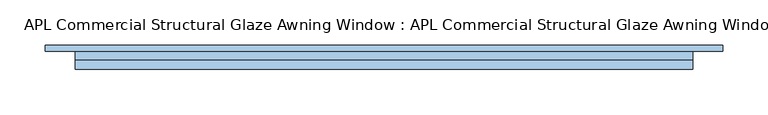
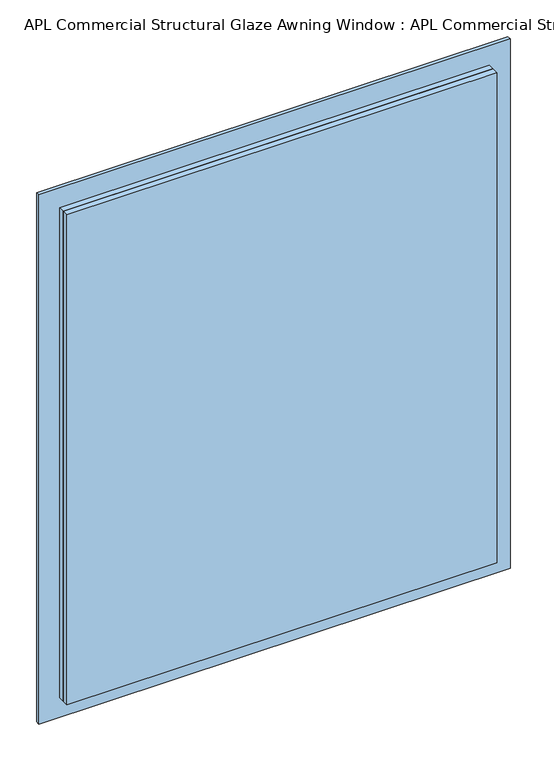
"""IFC4 building model written with IfcOpenShell, lengths in millimetres: window geometry, APL Commercial Structural Glaze Awning Window : APL Commercial Structural Glaze Awning Window."""

from ifc_helpers import new_model, si_unit, frame, origin, place, context, project, spatial, polyline, outline, extrude, source, transform, mapped, element, save


def apl_commercial_structural_glaze_awning_window_apl_commercial_8edd41af(model_context):
    return source(origin(), model_context, "Body", "SweptSolid", [
        extrude(outline(polyline([(861.4199904, -339.6250996), (42.3999314, -339.6250996), (42.3999314, 339.6250526), (861.4199904, 339.6250526), (861.4199904, -339.6250996)]), holes=[polyline([(853.4199904, -331.6250996), (853.4199904, 331.6250526), (50.3999314, 331.6250526), (50.3999314, -331.6250996), (853.4199904, -331.6250996)])]), frame((0.0, -6.2001372, 0.0), z_axis=(0.0, 1.0, 0.0), x_axis=(0.0, 0.0, 1.0)), (0.0, 0.0, 1.0), 9.620037),
        extrude(outline(polyline([(339.6251447, -6.2001372), (339.6251447, -16.5800173), (-339.6251447, -16.5800173), (-339.6251447, -6.2001372), (339.6251447, -6.2001372)])), frame((0.0, 0.0, 42.3999314), z_axis=(0.0, 0.0, 1.0), x_axis=(1.0, 0.0, 0.0)), (0.0, 0.0, 1.0), 819.020059),
        extrude(outline(polyline([(853.4199904, -331.6250996), (50.3999314, -331.6250996), (50.3999314, 331.6250526), (853.4199904, 331.6250526), (853.4199904, -331.6250996)]), holes=[polyline([(845.4199904, -323.6250996), (845.4199904, 323.6250526), (58.3999314, 323.6250526), (58.3999314, -323.6250996), (845.4199904, -323.6250996)])]), frame((0.0, -6.2001372, 0.0), z_axis=(0.0, 1.0, 0.0), x_axis=(0.0, 0.0, 1.0)), (0.0, 0.0, 1.0), 9.620037),
        extrude(outline(polyline([(323.6250526, 3.4198998), (323.6250526, -6.2001372), (-323.6250996, -6.2001372), (-323.6250996, 3.4198998), (323.6250526, 3.4198998)])), frame((0.0, 0.0, 58.3999314), z_axis=(0.0, 0.0, 1.0), x_axis=(1.0, 0.0, 0.0)), (0.0, 0.0, 1.0), 787.020059),
        extrude(outline(polyline([(372.5250761, 9.7999453), (372.5250761, 3.4198998), (-372.5250761, 3.4198998), (-372.5250761, 9.7999453), (372.5250761, 9.7999453)])), frame((0.0, 0.0, 9.5), z_axis=(0.0, 0.0, 1.0), x_axis=(1.0, 0.0, 0.0)), (0.0, 0.0, 1.0), 884.8199218),
    ])


if __name__ == "__main__":
    model = new_model("IFC4")
    model_context = context("Model", 3, world=origin())
    ifc_project = project(units=[si_unit("LENGTHUNIT", "METRE", prefix="MILLI")], contexts=[model_context])
    site = spatial("IfcSite", under=ifc_project)
    building = spatial("IfcBuilding", under=site)
    placement = place(None, origin())
    apl_commercial_structural_glaze_awning_window_apl_commercial_shape = apl_commercial_structural_glaze_awning_window_apl_commercial_8edd41af(model_context)
    element("IfcWindow", 1, ObjectType="APL Commercial Structural Glaze Awning Window : APL Commercial Structural Glaze Awning Window", at=placement, inside=building, context=model_context, shape_type="MappedRepresentation", body=[
        mapped(apl_commercial_structural_glaze_awning_window_apl_commercial_shape, transform((0.0, 0.0, 0.0), x_axis=(1.0, 0.0, 0.0), y_axis=(0.0, 1.0, 0.0), z_axis=(0.0, 0.0, 1.0))),
    ])
    save(model, "model.ifc")
